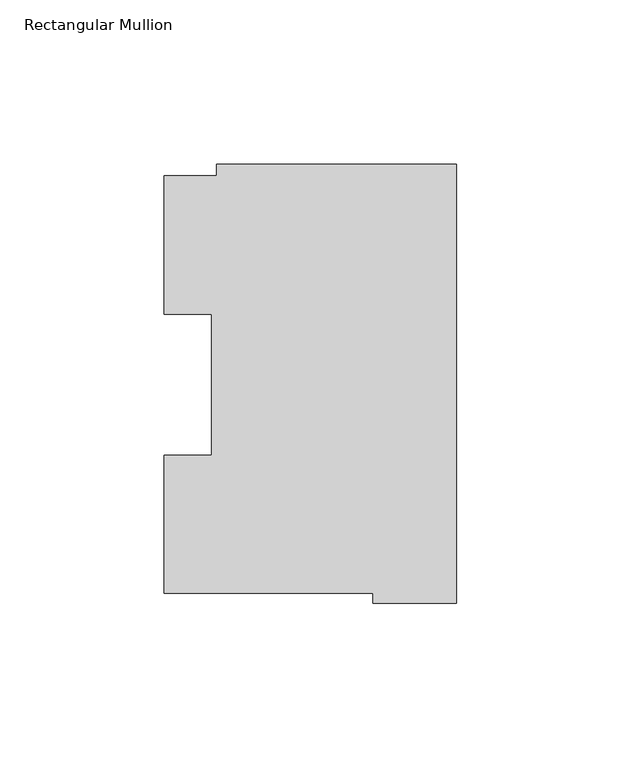
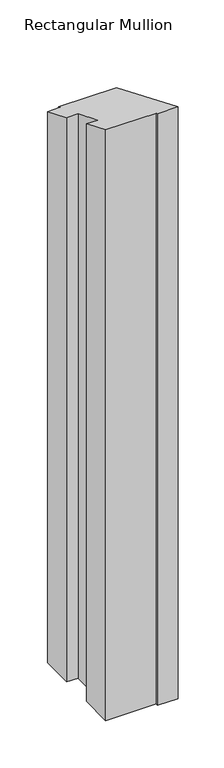
"""IFC4 building model written with IfcOpenShell, lengths in millimetres: member geometry, Rectangular Mullion."""

from ifc_helpers import new_model, si_unit, origin, place, context, project, spatial, faceted_brep, source, transform, mapped, element, save


def rectangular_mullion_34a9e00a(model_context):
    return source(origin(), model_context, "Body", "Brep", [
        faceted_brep([(-88.8772701, 127.006348, -784.3184633), (-73.025, 127.006348, -784.3184633), (-73.025, 130.4246837, -784.3184633), (0.0, 130.4246837, -784.3184633), (0.0, -2.939538, -784.3184633), (-25.3772701, -2.939538, -784.3184633), (-25.3772701, 0.0063465, -784.3184633), (-88.8772701, 0.0063465, -784.3184633), (-88.8772701, 42.0814491, -784.3184633), (-74.4684922, 42.0814491, -784.3184633), (-74.4684922, 84.93125, -784.3184633), (-88.8772701, 84.93125, -784.3184633), (-88.8772701, 84.93125, -35.1796756), (-88.8772701, 127.006348, -52.6077519), (-74.4684922, 84.93125, -35.1796756), (-74.4684922, 42.0814491, -17.4307069), (-88.8772701, 42.0814491, -17.4307069), (-88.8772701, 0.0063465, -0.0026288), (-25.3772701, 0.0063465, -0.0026288), (-25.3772701, -2.939538, 1.2175965), (0.0, -2.939538, 1.2175965), (0.0, 130.4246837, -54.0236729), (-73.025, 130.4246837, -54.0236729), (-73.025, 127.006348, -52.6077519)], [[[0, 1, 2, 3, 4, 5, 6, 7, 8, 9, 10, 11]], [[12, 13, 0, 11]], [[14, 12, 11, 10]], [[15, 14, 10, 9]], [[16, 15, 9, 8]], [[17, 16, 8, 7]], [[18, 17, 7, 6]], [[19, 18, 6, 5]], [[20, 19, 5, 4]], [[21, 20, 4, 3]], [[22, 21, 3, 2]], [[23, 22, 2, 1]], [[13, 23, 1, 0]], [[13, 12, 14, 15, 16, 17, 18, 19, 20, 21, 22, 23]]]),
    ])


if __name__ == "__main__":
    model = new_model("IFC4")
    model_context = context("Model", 3, world=origin())
    ifc_project = project(units=[si_unit("LENGTHUNIT", "METRE", prefix="MILLI")], contexts=[model_context])
    site = spatial("IfcSite", under=ifc_project)
    building = spatial("IfcBuilding", under=site)
    placement = place(None, origin())
    rectangular_mullion_shape = rectangular_mullion_34a9e00a(model_context)
    element("IfcMember", 1, ObjectType="Rectangular Mullion", at=placement, inside=building, context=model_context, shape_type="MappedRepresentation", body=[
        mapped(rectangular_mullion_shape, transform((0.0, 0.0, 0.0), x_axis=(1.0, 0.0, 0.0), y_axis=(0.0, 1.0, 0.0), z_axis=(0.0, 0.0, 1.0))),
    ])
    save(model, "model.ifc")
